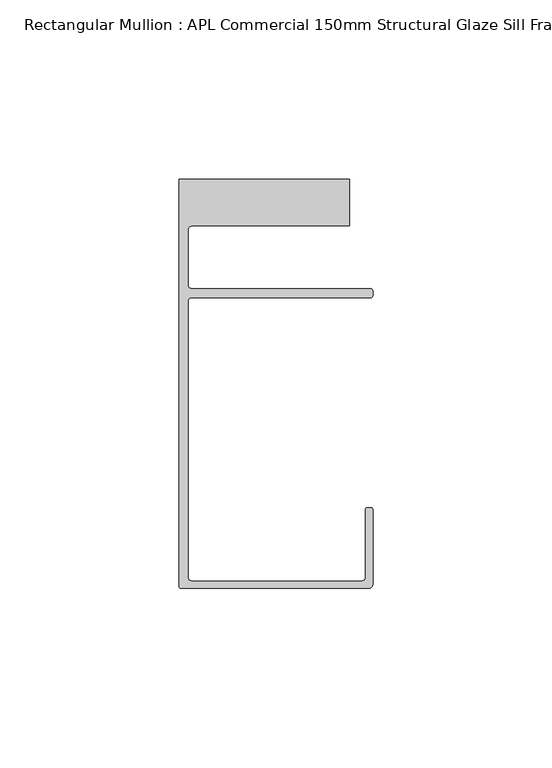
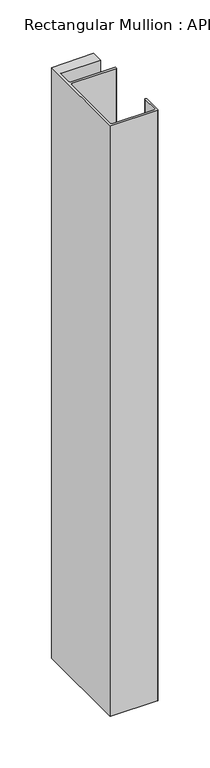
"""IFC4 building model written with IfcOpenShell, lengths in millimetres: member geometry, Rectangular Mullion : APL Commercial 150mm Structural Glaze Sill Frame (Back)."""

from ifc_helpers import new_model, si_unit, frame, origin, place, context, project, spatial, polyline, circle_curve, source, transform, mapped, element, save
from ifc_brep_helpers import plane_surface, cylinder_surface, revolved_surface, advanced_brep


def rectangular_mullion_apl_commercial_150mm_structural_glaze_6c9df559(model_context):
    return source(origin(), model_context, "Body", "AdvancedBrep", [
        advanced_brep(
        [(-53.5000083, -129.0001071, 0.0), (-1.0000079, -129.0001071, 0.0), (-7.9e-06, -128.0001071, 0.0), (0.0, -107.0001071, 0.0), (-0.5, -106.5001071, 0.0), (-1.4999822, -106.5001071, 0.0), (-1.9999822, -107.0001071, 0.0), (-1.9999982, -126.0001071, 0.0), (-2.9999982, -127.0001071, 0.0), (-50.5000083, -127.00011, 0.0), (-51.5000083, -126.00011, 0.0), (-51.5000225, -48.9999541, 0.0), (-50.482081, -48.000115, 0.0), (-0.5000012, -48.000115, 0.0), (-5.4e-06, -47.5021598, 0.0), (-5.4e-06, -46.0213357, 0.0), (-0.521387, -45.4999541, 0.0), (-50.500032, -45.4999541, 0.0), (-51.500032, -44.4999541, 0.0), (-51.500032, -29.0004332, 0.0), (-50.500032, -28.0004332, 0.0), (-6.5000083, -28.0004332, 0.0), (-6.5000083, -15.0004332, 0.0), (-54.0000083, -15.0004332, 0.0), (-54.0000083, -128.5001071, 0.0), (-53.5000083, -129.0001071, -699.3627597), (-54.0000083, -128.5001071, -699.3627597), (-54.0000083, -15.0004332, -699.3627597), (-6.5000083, -15.0004332, -699.3627597), (-6.5000083, -28.0004332, -699.3627597), (-50.500032, -28.0004332, -699.3627597), (-51.500032, -29.0004332, -699.3627597), (-51.500032, -44.4999541, -699.3627597), (-50.500032, -45.4999541, -699.3627597), (-0.521387, -45.4999541, -699.3627597), (-5.4e-06, -46.0213357, -699.3627597), (-5.4e-06, -47.5021598, -699.3627597), (-0.5000012, -48.000115, -699.3627597), (-50.482081, -48.000115, -699.3627597), (-51.5000225, -48.9999541, -699.3627597), (-51.5000225, -126.00011, -699.3627597), (-50.5000083, -127.00011, -699.3627597), (-2.9999982, -127.00011, -699.3627597), (-1.9999982, -126.0001071, -699.3627597), (-1.9999982, -107.0001071, -699.3627597), (-1.4999822, -106.5001071, -699.3627597), (-0.5, -106.5001071, -699.3627597), (0.0, -107.0001071, -699.3627597), (0.0, -128.0001071, -699.3627597), (-1.0000079, -129.0001071, -699.3627597)],
        [
            (0, 1),
            (1, 2, circle_curve(frame((-1.0000079, -128.0001071, 0.0), z_axis=(0.0, 0.0, 1.0), x_axis=(0.9999999999996143, -8.78371761103865e-07, 0.0)), 1.0)),
            (2, 3),
            (3, 4, circle_curve(frame((-0.5, -107.0001071, 0.0), z_axis=(0.0, 0.0, 1.0), x_axis=(0.0, 1.0, 0.0)), 0.5)),
            (4, 5),
            (5, 6, circle_curve(frame((-1.4999822, -107.0001071, 0.0), z_axis=(0.0, 0.0, 1.0), x_axis=(-1.0, 1.039279773351609e-08, 0.0)), 0.5)),
            (6, 7),
            (7, 8, circle_curve(frame((-2.9999982, -126.0001071, 0.0), z_axis=(0.0, 0.0, -1.0), x_axis=(0.0, -1.0, 0.0)), 1.0)),
            (8, 9),
            (9, 10, circle_curve(frame((-50.5000083, -126.00011, 0.0), z_axis=(0.0, 0.0, -1.0), x_axis=(-1.0, -3.636202450239078e-12, 0.0)), 1.0)),
            (10, 11),
            (11, 12, circle_curve(frame((-50.5000225, -48.9999541, 0.0), z_axis=(0.0, 0.0, -1.0), x_axis=(3.5344775231070867e-06, 0.9999999999937538, 0.0)), 1.0)),
            (12, 13),
            (13, 14, circle_curve(frame((-0.5000012, -47.500115, 0.0), z_axis=(0.0, 0.0, 1.0), x_axis=(0.9999999999999991, 4.5120271963110614e-08, 0.0)), 0.5)),
            (14, 15),
            (15, 16, circle_curve(frame((-0.521387, -46.0213357, 0.0), z_axis=(0.0, 0.0, 1.0), x_axis=(-1.0, 0.0, 0.0)), 0.5213816)),
            (16, 17),
            (17, 18, circle_curve(frame((-50.500032, -44.4999541, 0.0), z_axis=(0.0, 0.0, -1.0), x_axis=(-0.9999999999998819, -4.863123717036027e-07, 0.0)), 1.0)),
            (18, 19),
            (19, 20, circle_curve(frame((-50.500032, -29.0004332, 0.0), z_axis=(0.0, 0.0, -1.0), x_axis=(0.0, 1.0, 0.0)), 1.0)),
            (20, 21),
            (21, 22),
            (22, 23),
            (23, 24),
            (24, 0, circle_curve(frame((-53.5000083, -128.5001071, 0.0), z_axis=(0.0, 0.0, 1.0), x_axis=(0.0, -1.0, 0.0)), 0.5)),
            (25, 26, circle_curve(frame((-53.5000083, -128.5001071, -699.3627597), z_axis=(0.0, 0.0, -1.0), x_axis=(0.0, -1.0, 0.0)), 0.5)),
            (26, 27),
            (27, 28),
            (28, 29),
            (29, 30),
            (30, 31, circle_curve(frame((-50.500032, -29.0004332, -699.3627597), z_axis=(0.0, 0.0, 1.0), x_axis=(0.0, 1.0, 0.0)), 1.0)),
            (31, 32),
            (32, 33, circle_curve(frame((-50.500032, -44.4999541, -699.3627597), z_axis=(0.0, 0.0, 1.0), x_axis=(-0.9999999999998819, -4.863123717036027e-07, 0.0)), 1.0)),
            (33, 34),
            (34, 35, circle_curve(frame((-0.521387, -46.0213357, -699.3627597), z_axis=(0.0, 0.0, -1.0), x_axis=(-1.0, 0.0, 0.0)), 0.5213816)),
            (35, 36),
            (36, 37, circle_curve(frame((-0.5000012, -47.500115, -699.3627597), z_axis=(0.0, 0.0, -1.0), x_axis=(0.9999999999999991, 4.5120271963110614e-08, 0.0)), 0.5)),
            (37, 38),
            (38, 39, circle_curve(frame((-50.5000225, -48.9999541, -699.3627597), z_axis=(0.0, 0.0, 1.0), x_axis=(3.5344775231070867e-06, 0.9999999999937538, 0.0)), 1.0)),
            (39, 40),
            (40, 41, circle_curve(frame((-50.5000083, -126.00011, -699.3627597), z_axis=(0.0, 0.0, 1.0), x_axis=(-1.0, -3.636202450239078e-12, 0.0)), 1.0)),
            (41, 42),
            (42, 43, circle_curve(frame((-2.9999982, -126.0001071, -699.3627597), z_axis=(0.0, 0.0, 1.0), x_axis=(0.0, -1.0, 0.0)), 1.0)),
            (43, 44),
            (44, 45, circle_curve(frame((-1.4999822, -107.0001071, -699.3627597), z_axis=(0.0, 0.0, -1.0), x_axis=(-1.0, 1.039279773351609e-08, 0.0)), 0.5)),
            (45, 46),
            (46, 47, circle_curve(frame((-0.5, -107.0001071, -699.3627597), z_axis=(0.0, 0.0, -1.0), x_axis=(0.0, 1.0, 0.0)), 0.5)),
            (47, 48),
            (48, 49, circle_curve(frame((-1.0000079, -128.0001071, -699.3627597), z_axis=(0.0, 0.0, -1.0), x_axis=(0.9999999999996143, -8.78371761103865e-07, 0.0)), 1.0)),
            (49, 25),
            (0, 25),
            (49, 1),
            (48, 2),
            (14, 36),
            (35, 15),
            (34, 16),
            (33, 17),
            (32, 18),
            (31, 19),
            (30, 20),
            (29, 21),
            (28, 22),
            (27, 23),
            (26, 24),
            (47, 3),
            (46, 4),
            (45, 5),
            (44, 6),
            (43, 7),
            (42, 8),
            (41, 9),
            (40, 10),
            (39, 11),
            (38, 12),
            (37, 13),
        ],
        [
            plane_surface(frame((0.0, -139.6548314, 0.0), z_axis=(0.0, 0.0, 1.0), x_axis=(-1.0, 0.0, 0.0))),
            plane_surface(frame((0.0, -139.6548314, -699.3627597), z_axis=(0.0, 0.0, -1.0), x_axis=(-1.0, 0.0, 0.0))),
            plane_surface(frame((-53.5000083, -129.0001071, 0.0), z_axis=(0.0, -1.0, 0.0), x_axis=(0.0, 0.0, -1.0))),
            cylinder_surface(frame((-1.0000079, -128.0001071, 0.0), z_axis=(0.0, 0.0, 1.0000000000000002), x_axis=(0.9999999999996143, -8.78371761103865e-07, 0.0)), 1.0),
            plane_surface(frame((-5.4e-06, -47.5021598, 0.0), z_axis=(1.0, 0.0, 0.0), x_axis=(0.0, 0.0, -1.0))),
            cylinder_surface(frame((-0.521387, -46.0213357, 0.0), z_axis=(0.0, 0.0, 1.0), x_axis=(-1.0, 0.0, 0.0)), 0.5213816),
            plane_surface(frame((-0.521387, -45.4999541, 0.0), z_axis=(0.0, 1.0, 0.0), x_axis=(0.0, 0.0, -1.0))),
            revolved_surface(polyline([(-51.50003199999988, -44.49995458631237, -699.3627597000002), (-51.50003199999988, -44.49995458631237, 0.0)]), (-50.500032, -44.4999541, 0.0), (0.0, 0.0, -1.0000000000000002)),
            plane_surface(frame((-51.500032, -44.4999541, 0.0), z_axis=(1.0, 0.0, 0.0), x_axis=(0.0, 0.0, -1.0))),
            revolved_surface(polyline([(-50.500032, -28.0004332, -699.3627597), (-50.500032, -28.0004332, 0.0)]), (-50.500032, -29.0004332, 0.0), (0.0, 0.0, -1.0)),
            plane_surface(frame((-50.500032, -28.0004332, 0.0), z_axis=(0.0, -1.0, 0.0), x_axis=(0.0, 0.0, -1.0))),
            plane_surface(frame((-6.5000083, -28.0004332, 0.0), z_axis=(1.0, 0.0, 0.0), x_axis=(0.0, 0.0, -1.0))),
            plane_surface(frame((-6.5000083, -15.0004332, 0.0), z_axis=(0.0, 1.0, 0.0), x_axis=(0.0, 0.0, -1.0))),
            plane_surface(frame((-54.0000083, -15.0004332, 0.0), z_axis=(-1.0, 0.0, 0.0), x_axis=(0.0, 0.0, -1.0))),
            cylinder_surface(frame((-53.5000083, -128.5001071, 0.0), z_axis=(0.0, 0.0, 1.0), x_axis=(0.0, -1.0, 0.0)), 0.5),
            plane_surface(frame((0.0, -128.0001071, 0.0), z_axis=(1.0, 0.0, 0.0), x_axis=(0.0, 0.0, -1.0))),
            cylinder_surface(frame((-0.5, -107.0001071, 0.0), z_axis=(0.0, 0.0, 1.0), x_axis=(0.0, 1.0, 0.0)), 0.5),
            plane_surface(frame((-0.5, -106.5001071, 0.0), z_axis=(0.0, 1.0, 0.0), x_axis=(0.0, 0.0, -1.0))),
            cylinder_surface(frame((-1.4999822, -107.0001071, 0.0), z_axis=(0.0, 0.0, 1.0), x_axis=(-1.0, 1.039279773351609e-08, 0.0)), 0.5),
            plane_surface(frame((-1.9999982, -107.0001071, 0.0), z_axis=(-1.0, 0.0, 0.0), x_axis=(0.0, 0.0, -1.0))),
            revolved_surface(polyline([(-2.9999982, -127.0001071, -699.3627597), (-2.9999982, -127.0001071, 0.0)]), (-2.9999982, -126.0001071, 0.0), (0.0, 0.0, -1.0)),
            plane_surface(frame((-2.9999982, -127.00011, 0.0), z_axis=(0.0, 1.0, 0.0), x_axis=(0.0, 0.0, -1.0))),
            revolved_surface(polyline([(-51.5000083, -126.00011000000364, -699.3627597), (-51.5000083, -126.00011000000364, 0.0)]), (-50.5000083, -126.00011, 0.0), (0.0, 0.0, -1.0)),
            plane_surface(frame((-51.5000225, -126.00011, 0.0), z_axis=(1.0, 0.0, 0.0), x_axis=(0.0, 0.0, -1.0))),
            revolved_surface(polyline([(-50.50001896552248, -47.99995410000624, -699.3627597), (-50.50001896552248, -47.99995410000624, 0.0)]), (-50.5000225, -48.9999541, 0.0), (0.0, 0.0, -1.0)),
            plane_surface(frame((-50.482081, -48.000115, 0.0), z_axis=(0.0, -1.0, 0.0), x_axis=(0.0, 0.0, -1.0))),
            cylinder_surface(frame((-0.5000012, -47.500115, 0.0), z_axis=(0.0, 0.0, 1.0000000000000002), x_axis=(0.9999999999999991, 4.5120271963110614e-08, 0.0)), 0.5),
        ],
        [
            (0, [[1, 2, 3, 4, 5, 6, 7, 8, 9, 10, 11, 12, 13, 14, 15, 16, 17, 18, 19, 20, 21, 22, 23, 24, 25]]),
            (1, [[26, 27, 28, 29, 30, 31, 32, 33, 34, 35, 36, 37, 38, 39, 40, 41, 42, 43, 44, 45, 46, 47, 48, 49, 50]]),
            (2, [[-1, 51, -50, 52]]),
            (3, [[-2, -52, -49, 53]]),
            (4, [[-15, 54, -36, 55]]),
            (5, [[-16, -55, -35, 56]]),
            (6, [[-17, -56, -34, 57]]),
            (7, [[-18, -57, -33, 58]]),
            (8, [[-19, -58, -32, 59]]),
            (9, [[-20, -59, -31, 60]]),
            (10, [[-21, -60, -30, 61]]),
            (11, [[-22, -61, -29, 62]]),
            (12, [[-23, -62, -28, 63]]),
            (13, [[-24, -63, -27, 64]]),
            (14, [[-25, -64, -26, -51]]),
            (15, [[-3, -53, -48, 65]]),
            (16, [[-4, -65, -47, 66]]),
            (17, [[-5, -66, -46, 67]]),
            (18, [[-6, -67, -45, 68]]),
            (19, [[-7, -68, -44, 69]]),
            (20, [[-8, -69, -43, 70]]),
            (21, [[-9, -70, -42, 71]]),
            (22, [[-10, -71, -41, 72]]),
            (23, [[-11, -72, -40, 73]]),
            (24, [[-12, -73, -39, 74]]),
            (25, [[-13, -74, -38, 75]]),
            (26, [[-14, -75, -37, -54]]),
        ],
    ),
    ])


if __name__ == "__main__":
    model = new_model("IFC4")
    model_context = context("Model", 3, world=origin())
    ifc_project = project(units=[si_unit("LENGTHUNIT", "METRE", prefix="MILLI")], contexts=[model_context])
    site = spatial("IfcSite", under=ifc_project)
    building = spatial("IfcBuilding", under=site)
    placement = place(None, origin())
    rectangular_mullion_apl_commercial_150mm_structural_glaze_shape = rectangular_mullion_apl_commercial_150mm_structural_glaze_6c9df559(model_context)
    element("IfcMember", 1, ObjectType="Rectangular Mullion : APL Commercial 150mm Structural Glaze Sill Frame (Back)", at=placement, inside=building, context=model_context, shape_type="MappedRepresentation", body=[
        mapped(rectangular_mullion_apl_commercial_150mm_structural_glaze_shape, transform((0.0, 0.0, 0.0), x_axis=(1.0, 0.0, 0.0), y_axis=(0.0, 1.0, 0.0), z_axis=(0.0, 0.0, 1.0))),
    ])
    save(model, "model.ifc")
